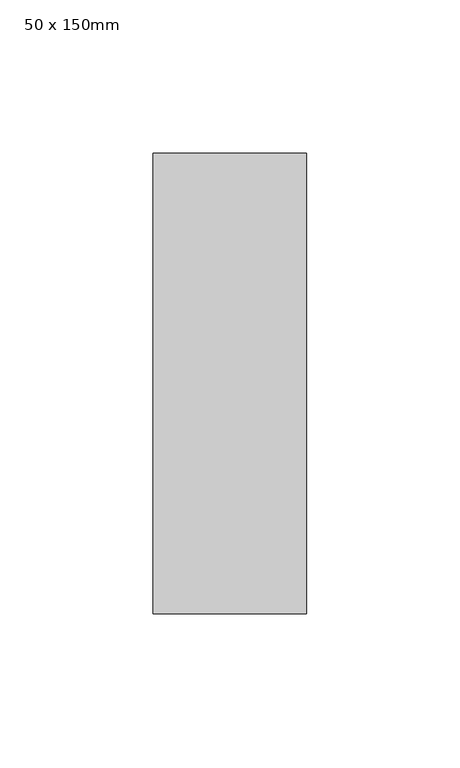
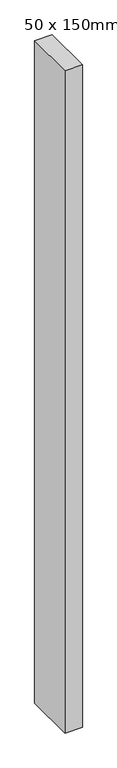
"""IFC4 building model written with IfcOpenShell, lengths in millimetres: member geometry, 50 x 150mm."""

from ifc_helpers import new_model, si_unit, frame, origin, place, context, project, spatial, polyline, outline, extrude, source, transform, mapped, element, save


def member_50_x_150mm_c48914de(model_context):
    return source(origin(), model_context, "Body", "SweptSolid", [
        extrude(outline(polyline([(0.0, 75.0), (0.0, -75.0), (-50.0, -75.0), (-50.0, 75.0), (0.0, 75.0)])), frame((0.0, 0.0, -2010.2281089), z_axis=(0.0, 0.0, 1.0), x_axis=(1.0, 0.0, 0.0)), (0.0, 0.0, 1.0), 2010.2281089),
    ])


if __name__ == "__main__":
    model = new_model("IFC4")
    model_context = context("Model", 3, world=origin())
    ifc_project = project(units=[si_unit("LENGTHUNIT", "METRE", prefix="MILLI")], contexts=[model_context])
    site = spatial("IfcSite", under=ifc_project)
    building = spatial("IfcBuilding", under=site)
    placement = place(None, origin())
    member_50_x_150mm_shape = member_50_x_150mm_c48914de(model_context)
    element("IfcMember", 1, ObjectType="50 x 150mm", at=placement, inside=building, context=model_context, shape_type="MappedRepresentation", body=[
        mapped(member_50_x_150mm_shape, transform((0.0, 0.0, 0.0), x_axis=(1.0, 0.0, 0.0), y_axis=(0.0, 1.0, 0.0), z_axis=(0.0, 0.0, 1.0))),
    ])
    save(model, "model.ifc")
